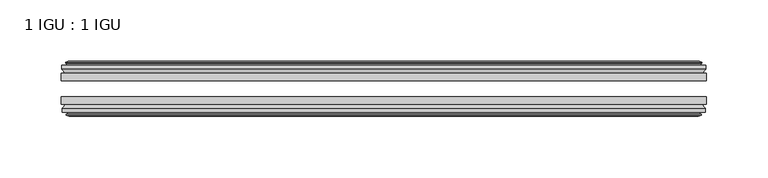
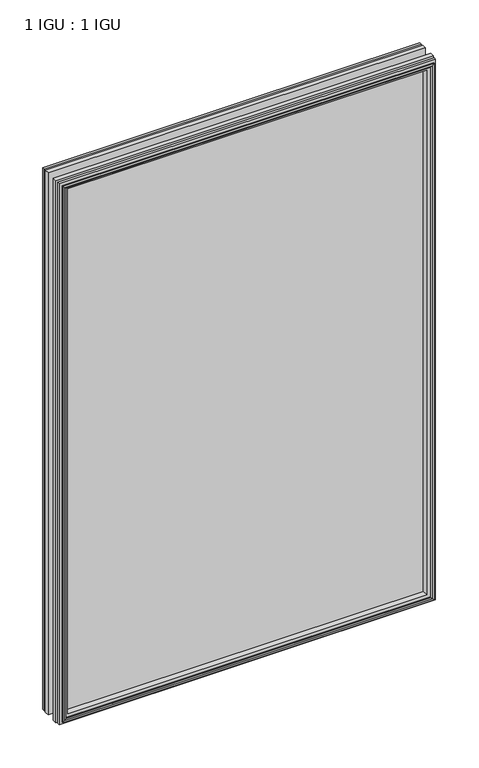
"""IFC4 building model written with IfcOpenShell, lengths in millimetres: plate geometry, 1 IGU : 1 IGU."""

import ifcopenshell
import ifcopenshell.guid

model = None  # the IFC model being written
_history = None  # IfcOwnerHistory: only IFC2X3 demands one
_inside = {}  # id of a spatial element -> (the spatial element, [elements in it])
_under = {}  # id of a project, library or spatial element -> (it, [spatial elements below it])
_declared = {}  # id of a project -> (the project, [libraries it declares])
_typed = {}  # id of a type object -> (the type object, [elements of that type])
_made_of = {}  # id of a material, layer set ... -> (it, [elements and type objects made of it])


def new_model(schema):
    """Start an empty IFC model of exactly this schema.

    Asked for "IFC4X3", IfcOpenShell would pick the latest addendum, in which some entities
    have other attributes; the version numbers below select the first issue.
    IFC2X3 requires an IfcOwnerHistory on every rooted entity: one is made here for all.
    """
    global model, _history
    if schema == "IFC4X3":
        model = ifcopenshell.file(schema_version=(4, 3, 0, 0))
    else:
        model = ifcopenshell.file(schema=schema)
    _inside.clear()
    _under.clear()
    _declared.clear()
    _typed.clear()
    _made_of.clear()
    _history = None
    if model.schema == "IFC2X3":
        org = make("IfcOrganization", Name="unknown")
        user = make(
            "IfcPersonAndOrganization",
            ThePerson=make("IfcPerson", FamilyName="unknown"),
            TheOrganization=org,
        )
        app = make(
            "IfcApplication",
            ApplicationDeveloper=org,
            Version="unknown",
            ApplicationFullName="unknown",
            ApplicationIdentifier="unknown",
        )
        _history = make(
            "IfcOwnerHistory",
            OwningUser=user,
            OwningApplication=app,
            ChangeAction="ADDED",
            CreationDate=0,
        )
    return model


def make(cls, **values):
    """One entity of the class cls with the attributes given. An attribute that is None is left unset."""
    return model.create_entity(
        cls, **{name: value for name, value in values.items() if value is not None}
    )


def rooted(cls, **values):
    """An entity with a GlobalId (a new one), such as an element, a storey or a relation."""
    return make(cls, GlobalId=ifcopenshell.guid.new(), OwnerHistory=_history, **values)


def si_unit(unit_type, name, prefix=None):
    """IfcSIUnit, for example si_unit("LENGTHUNIT", "METRE", prefix="MILLI")."""
    return make("IfcSIUnit", UnitType=unit_type, Prefix=prefix, Name=name)


def assignment(units):
    """IfcUnitAssignment: the units of a project."""
    return None if units is None else make("IfcUnitAssignment", Units=units)


def point(xyz):
    """IfcCartesianPoint."""
    return None if xyz is None else make("IfcCartesianPoint", Coordinates=xyz)


def direction(xyz):
    """IfcDirection."""
    return None if xyz is None else make("IfcDirection", DirectionRatios=xyz)


def frame(location, z_axis=None, x_axis=None):
    """IfcAxis2Placement3D, a coordinate frame: its origin and axes. An axis left out is left unset."""
    return make(
        "IfcAxis2Placement3D",
        Location=point(location),
        Axis=direction(z_axis),
        RefDirection=direction(x_axis),
    )


def origin():
    """The frame at (0, 0, 0) with its axes left unset."""
    return frame((0.0, 0.0, 0.0))


def place(relative_to, where):
    """IfcLocalPlacement: puts the frame where relative to a parent placement (None: the world)."""
    return make(
        "IfcLocalPlacement", PlacementRelTo=relative_to, RelativePlacement=where
    )


def context(
    kind, dimensions, precision=None, world=None, true_north=None, identifier=None
):
    """IfcGeometricRepresentationContext, for example the 3D "Model" context."""
    return make(
        "IfcGeometricRepresentationContext",
        ContextIdentifier=identifier,
        ContextType=kind,
        CoordinateSpaceDimension=dimensions,
        Precision=precision,
        WorldCoordinateSystem=world,
        TrueNorth=true_north,
    )


def project(units=None, contexts=None):
    """IfcProject with its units and contexts."""
    return rooted(
        "IfcProject",
        Name="project",
        RepresentationContexts=contexts,
        UnitsInContext=assignment(units),
    )


def spatial(cls, under=None, at=None, **own):
    """A site, building, storey or space (cls), placed at a placement, below another one or the project."""
    s = rooted(cls, ObjectPlacement=at, **own)
    if under is not None:
        _under.setdefault(under.id(), (under, []))[1].append(s)
    return s


def polyline(points):
    """IfcPolyline through the points."""
    return make("IfcPolyline", Points=[point(p) for p in points])


def outline(outer, holes=None, kind="AREA"):
    """IfcArbitraryClosedProfileDef: a profile drawn as a closed curve; with holes, ...WithVoids."""
    if holes is None:
        return make("IfcArbitraryClosedProfileDef", ProfileType=kind, OuterCurve=outer)
    return make(
        "IfcArbitraryProfileDefWithVoids",
        ProfileType=kind,
        OuterCurve=outer,
        InnerCurves=holes,
    )


def extrude(swept, where, along, depth):
    """IfcExtrudedAreaSolid: the profile swept, set in the frame where, extruded along a direction by depth."""
    return make(
        "IfcExtrudedAreaSolid",
        SweptArea=swept,
        Position=where,
        ExtrudedDirection=direction(along),
        Depth=depth,
    )


def faces_of(points, faces, orient=None, outer=None):
    """IfcFace entities. A face is a list of loops; a loop is a list of indices into points, from 0.

    orient and outer hold one flag for each loop. By default every Orientation is true, the
    first loop of a face is its IfcFaceOuterBound and the others are IfcFaceBound.
    """
    made = []
    for i, loops in enumerate(faces):
        bounds = []
        for j, loop in enumerate(loops):
            is_outer = j == 0 if outer is None else outer[i][j]
            bounds.append(
                make(
                    "IfcFaceOuterBound" if is_outer else "IfcFaceBound",
                    Bound=make("IfcPolyLoop", Polygon=[points[k] for k in loop]),
                    Orientation=True if orient is None else orient[i][j],
                )
            )
        made.append(make("IfcFace", Bounds=bounds))
    return made


def faceted_brep(points, faces, orient=None, outer=None, voids=None):
    """IfcFacetedBrep: a solid bounded by flat faces; with voids (closed shells), ...WithVoids."""
    shared = [point(p) for p in points]
    hull = make("IfcClosedShell", CfsFaces=faces_of(shared, faces, orient, outer))
    if voids is None:
        return make("IfcFacetedBrep", Outer=hull)
    return make(
        "IfcFacetedBrepWithVoids",
        Outer=hull,
        Voids=[
            make(cls, CfsFaces=faces_of(shared, fs, o, b)) for cls, fs, o, b in voids
        ],
    )


def shape(context_of_items, identifier, shape_type, items):
    """IfcShapeRepresentation: the items that make up one representation, for example the "Body"."""
    return make(
        "IfcShapeRepresentation",
        ContextOfItems=context_of_items,
        RepresentationIdentifier=identifier,
        RepresentationType=shape_type,
        Items=items,
    )


def source(mapping_origin, context_of_items, identifier, shape_type, items):
    """IfcRepresentationMap: a shape defined once, which mapped items show again and again."""
    return make(
        "IfcRepresentationMap",
        MappingOrigin=mapping_origin,
        MappedRepresentation=shape(context_of_items, identifier, shape_type, items),
    )


def transform(
    local_origin,
    x_axis=None,
    y_axis=None,
    z_axis=None,
    scale=None,
    scale2=None,
    scale3=None,
    uniform=True,
):
    """IfcCartesianTransformationOperator3D, or its non-uniform kind. x_axis, y_axis, z_axis: its Axis1, 2, 3."""
    if uniform:
        return make(
            "IfcCartesianTransformationOperator3D",
            Axis1=direction(x_axis),
            Axis2=direction(y_axis),
            LocalOrigin=point(local_origin),
            Scale=scale,
            Axis3=direction(z_axis),
        )
    return make(
        "IfcCartesianTransformationOperator3DnonUniform",
        Axis1=direction(x_axis),
        Axis2=direction(y_axis),
        LocalOrigin=point(local_origin),
        Scale=scale,
        Axis3=direction(z_axis),
        Scale2=scale2,
        Scale3=scale3,
    )


def mapped(mapping_source, mapping_target):
    """IfcMappedItem: shows the shape of a source again, moved by a transform."""
    return make(
        "IfcMappedItem", MappingSource=mapping_source, MappingTarget=mapping_target
    )


def made_of(thing, what):
    """Note that an element or type object is made of a material, layer set ...; save() writes the relation."""
    if what is not None:
        _made_of.setdefault(what.id(), (what, []))[1].append(thing)
    return thing


def element(
    cls,
    number,
    at=None,
    inside=None,
    cuts=None,
    type_object=None,
    material=None,
    context=None,
    identifier="Body",
    shape_type=None,
    held_by="IfcProductDefinitionShape",
    body=None,
    shapes=None,
    **own,
):
    """One element of the class cls, such as IfcWall. Its Tag is "e" and its number.

    at: its placement. inside: the storey or other place that contains it. cuts: it is an
    opening in that element (IfcRelVoidsElement). A single representation is given by context,
    identifier, shape_type and body (its items); several are given by shapes. held_by: the class
    of the entity that holds the representations. save() writes the other relations.
    """
    e = rooted(cls, Tag="e%d" % number, ObjectPlacement=at, **own)
    if body is not None:
        shapes = [shape(context, identifier, shape_type, body)]
    if shapes is not None:
        e.Representation = make(held_by, Representations=shapes)
    if inside is not None:
        _inside.setdefault(inside.id(), (inside, []))[1].append(e)
    if cuts is not None:
        rooted(
            "IfcRelVoidsElement", RelatingBuildingElement=cuts, RelatedOpeningElement=e
        )
    if type_object is not None:
        _typed.setdefault(type_object.id(), (type_object, []))[1].append(e)
    return made_of(e, material)


def aggregate(whole, parts):
    """IfcRelAggregates: a whole, such as a stair, and the parts it consists of."""
    return rooted("IfcRelAggregates", RelatingObject=whole, RelatedObjects=parts)


def save(model, path):
    """Write the relations noted so far, then the file.

    IfcRelAggregates (storeys below a building ...), IfcRelContainedInSpatialStructure (elements
    in a storey), IfcRelDefinesByType, IfcRelAssociatesMaterial and IfcRelDeclares: one each for
    every whole, place, type object, material and project.
    """
    for whole, parts in _under.values():
        aggregate(whole, parts)
    for where, things in _inside.values():
        rooted(
            "IfcRelContainedInSpatialStructure",
            RelatedElements=things,
            RelatingStructure=where,
        )
    for kind, things in _typed.values():
        rooted("IfcRelDefinesByType", RelatedObjects=things, RelatingType=kind)
    for what, things in _made_of.values():
        rooted("IfcRelAssociatesMaterial", RelatedObjects=things, RelatingMaterial=what)
    for by, libraries in _declared.values():
        rooted("IfcRelDeclares", RelatingContext=by, RelatedDefinitions=libraries)
    model.write(path)


def plate_1_igu_1_igu_541f70e4(model_context):
    return source(origin(), model_context, "Body", "SolidModel", [
        extrude(outline(polyline([(263.525, -25.8960937), (263.525, -32.2460938), (-263.525, -32.2460938), (-263.525, -25.8960937), (263.525, -25.8960937)])), frame((0.0, 0.0, -12.7), z_axis=(0.0, 0.0, 1.0), x_axis=(1.0, 0.0, 0.0)), (0.0, 0.0, 1.0), 800.1),
        extrude(outline(polyline([(-263.525, -51.2960938), (-263.525, -45.2686737), (263.525, -45.2686737), (263.525, -51.2960938), (-263.525, -51.2960938)])), frame((0.0, 0.0, -12.7), z_axis=(0.0, 0.0, 1.0), x_axis=(1.0, 0.0, 0.0)), (0.0, 0.0, 1.0), 800.1),
        faceted_brep([(-257.937, -60.0262907, 781.812), (-258.318, -57.6460937, 782.193), (-258.318, -57.6460937, -7.493), (-257.937, -60.0262907, -7.112), (-259.352529, -59.5663575, 783.2275291), (-259.352529, -59.5663575, -8.5275291), (-259.352529, -60.3675717, 783.2275291), (-259.352529, -60.3675717, -8.5275291), (-257.175, -61.0750937, 781.05), (-257.175, -61.0750937, -6.35), (-254.9974709, -60.3675717, 778.872471), (-254.9974709, -60.3675717, -4.1724709), (-254.9974709, -59.5663575, 778.872471), (-254.9974709, -59.5663575, -4.1724709), (-256.413, -60.0262907, 780.288), (-256.413, -60.0262907, -5.588), (-256.032, -57.6460937, 779.907), (-256.032, -57.6460937, -5.207), (-249.1072819, -51.2960937, 772.9822819), (-250.825, -57.6460937, 774.7), (-250.825, -57.6460937, 0.0), (-249.1072819, -51.2960937, 1.7177181), (-262.763, -54.6996937, 786.638), (-259.9286578, -51.2960937, 783.8036578), (-259.9286578, -51.2960937, -9.1036578), (-262.763, -54.6996937, -11.938), (-262.763, -57.6460937, 786.638), (-262.763, -57.6460937, -11.938), (258.318, -57.6460938, -7.493), (257.937, -60.0262907, -7.112), (259.352529, -59.5663575, -8.5275291), (259.352529, -60.3675717, -8.5275291), (257.175, -61.0750937, -6.35), (254.9974709, -60.3675717, -4.1724709), (254.9974709, -59.5663575, -4.1724709), (256.413, -60.0262907, -5.588), (256.032, -57.6460937, -5.207), (250.825, -57.6460937, 0.0), (249.1072819, -51.2960937, 1.7177181), (259.9286578, -51.2960937, -9.1036578), (262.763, -54.6996937, -11.938), (262.763, -57.6460938, -11.938), (258.318, -57.6460938, 782.193), (257.937, -60.0262907, 781.812), (259.352529, -59.5663575, 783.2275291), (259.352529, -60.3675717, 783.2275291), (257.175, -61.0750937, 781.05), (254.9974709, -60.3675717, 778.872471), (254.9974709, -59.5663575, 778.872471), (256.413, -60.0262907, 780.288), (256.032, -57.6460937, 779.907), (250.825, -57.6460937, 774.7), (249.1072819, -51.2960937, 772.9822819), (259.9286578, -51.2960937, 783.8036578), (262.763, -54.6996937, 786.638), (262.763, -57.6460938, 786.638)], [[[0, 1, 2, 3]], [[4, 0, 3, 5]], [[6, 4, 5, 7]], [[8, 6, 7, 9]], [[10, 8, 9, 11]], [[12, 10, 11, 13]], [[14, 12, 13, 15]], [[16, 14, 15, 17]], [[18, 19, 20, 21]], [[22, 23, 24, 25]], [[26, 22, 25, 27]], [[3, 2, 28, 29]], [[5, 3, 29, 30]], [[7, 5, 30, 31]], [[9, 7, 31, 32]], [[11, 9, 32, 33]], [[13, 11, 33, 34]], [[15, 13, 34, 35]], [[17, 15, 35, 36]], [[21, 20, 37, 38]], [[25, 24, 39, 40]], [[27, 25, 40, 41]], [[29, 28, 42, 43]], [[30, 29, 43, 44]], [[31, 30, 44, 45]], [[32, 31, 45, 46]], [[33, 32, 46, 47]], [[34, 33, 47, 48]], [[35, 34, 48, 49]], [[36, 35, 49, 50]], [[38, 37, 51, 52]], [[40, 39, 53, 54]], [[41, 40, 54, 55]], [[27, 41, 55, 26], [1, 42, 28, 2]], [[43, 42, 1, 0]], [[44, 43, 0, 4]], [[45, 44, 4, 6]], [[46, 45, 6, 8]], [[47, 46, 8, 10]], [[48, 47, 10, 12]], [[49, 48, 12, 14]], [[50, 49, 14, 16]], [[17, 36, 50, 16], [19, 51, 37, 20]], [[52, 51, 19, 18]], [[23, 53, 39, 24], [21, 38, 52, 18]], [[54, 53, 23, 22]], [[55, 54, 22, 26]]]),
        faceted_brep([(-260.4493578, -25.8960937, 784.3243578), (-263.2837, -22.4924937, 787.1587), (-263.2837, -22.4924937, -12.4587), (-260.4493578, -25.8960937, -9.6243578), (-251.3457, -19.5460937, 775.2207), (-249.6279819, -25.8960937, 773.5029819), (-249.6279819, -25.8960937, 1.1970181), (-251.3457, -19.5460937, -0.5207), (-256.9337, -17.1658968, 780.8087), (-256.5527, -19.5460937, 780.4277), (-256.5527, -19.5460937, -5.7277), (-256.9337, -17.1658968, -6.1087), (-255.5181709, -17.62583, 779.393171), (-255.5181709, -17.62583, -4.6931709), (-255.5181709, -16.8246158, 779.393171), (-255.5181709, -16.8246158, -4.6931709), (-257.6957, -16.1170937, 781.5707), (-257.6957, -16.1170937, -6.8707), (-259.873229, -16.8246158, 783.7482291), (-259.873229, -16.8246158, -9.0482291), (-259.873229, -17.62583, 783.7482291), (-259.873229, -17.62583, -9.0482291), (-258.4577, -17.1658968, 782.3327), (-258.4577, -17.1658968, -7.6327), (-258.8387, -19.5460937, 782.7137), (-258.8387, -19.5460937, -8.0137), (-263.2837, -19.5460937, 787.1587), (-263.2837, -19.5460937, -12.4587), (263.2837, -22.4924937, -12.4587), (260.4493578, -25.8960937, -9.6243578), (249.6279819, -25.8960937, 1.1970181), (251.3457, -19.5460937, -0.5207), (256.5527, -19.5460937, -5.7277), (256.9337, -17.1658968, -6.1087), (255.5181709, -17.62583, -4.6931709), (255.5181709, -16.8246158, -4.6931709), (257.6957, -16.1170937, -6.8707), (259.873229, -16.8246158, -9.0482291), (259.873229, -17.62583, -9.0482291), (258.4577, -17.1658968, -7.6327), (258.8387, -19.5460937, -8.0137), (263.2837, -19.5460937, -12.4587), (263.2837, -22.4924937, 787.1587), (260.4493578, -25.8960937, 784.3243578), (249.6279819, -25.8960937, 773.5029819), (251.3457, -19.5460937, 775.2207), (256.5527, -19.5460937, 780.4277), (256.9337, -17.1658968, 780.8087), (255.5181709, -17.62583, 779.393171), (255.5181709, -16.8246158, 779.393171), (257.6957, -16.1170937, 781.5707), (259.873229, -16.8246158, 783.7482291), (259.873229, -17.62583, 783.7482291), (258.4577, -17.1658968, 782.3327), (258.8387, -19.5460937, 782.7137), (263.2837, -19.5460937, 787.1587)], [[[0, 1, 2, 3]], [[4, 5, 6, 7]], [[8, 9, 10, 11]], [[12, 8, 11, 13]], [[14, 12, 13, 15]], [[16, 14, 15, 17]], [[18, 16, 17, 19]], [[20, 18, 19, 21]], [[22, 20, 21, 23]], [[24, 22, 23, 25]], [[1, 26, 27, 2]], [[3, 2, 28, 29]], [[7, 6, 30, 31]], [[11, 10, 32, 33]], [[13, 11, 33, 34]], [[15, 13, 34, 35]], [[17, 15, 35, 36]], [[19, 17, 36, 37]], [[21, 19, 37, 38]], [[23, 21, 38, 39]], [[25, 23, 39, 40]], [[2, 27, 41, 28]], [[29, 28, 42, 43]], [[31, 30, 44, 45]], [[33, 32, 46, 47]], [[34, 33, 47, 48]], [[35, 34, 48, 49]], [[36, 35, 49, 50]], [[37, 36, 50, 51]], [[38, 37, 51, 52]], [[39, 38, 52, 53]], [[40, 39, 53, 54]], [[28, 41, 55, 42]], [[43, 42, 1, 0]], [[3, 29, 43, 0], [5, 44, 30, 6]], [[45, 44, 5, 4]], [[9, 46, 32, 10], [7, 31, 45, 4]], [[47, 46, 9, 8]], [[48, 47, 8, 12]], [[49, 48, 12, 14]], [[50, 49, 14, 16]], [[51, 50, 16, 18]], [[52, 51, 18, 20]], [[53, 52, 20, 22]], [[54, 53, 22, 24]], [[26, 55, 41, 27], [25, 40, 54, 24]], [[42, 55, 26, 1]]]),
    ])


if __name__ == "__main__":
    model = new_model("IFC4")
    model_context = context("Model", 3, world=origin())
    ifc_project = project(units=[si_unit("LENGTHUNIT", "METRE", prefix="MILLI")], contexts=[model_context])
    site = spatial("IfcSite", under=ifc_project)
    building = spatial("IfcBuilding", under=site)
    placement = place(None, origin())
    plate_1_igu_1_igu_shape = plate_1_igu_1_igu_541f70e4(model_context)
    element("IfcPlate", 1, ObjectType="1 IGU : 1 IGU", at=placement, inside=building, context=model_context, shape_type="MappedRepresentation", body=[
        mapped(plate_1_igu_1_igu_shape, transform((0.0, 0.0, 0.0), x_axis=(1.0, 0.0, 0.0), y_axis=(0.0, 1.0, 0.0), z_axis=(0.0, 0.0, 1.0))),
    ])
    save(model, "model.ifc")
